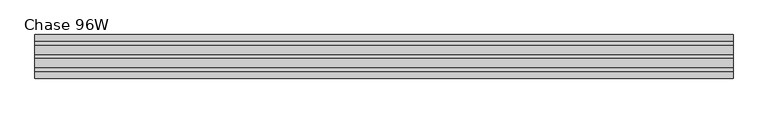
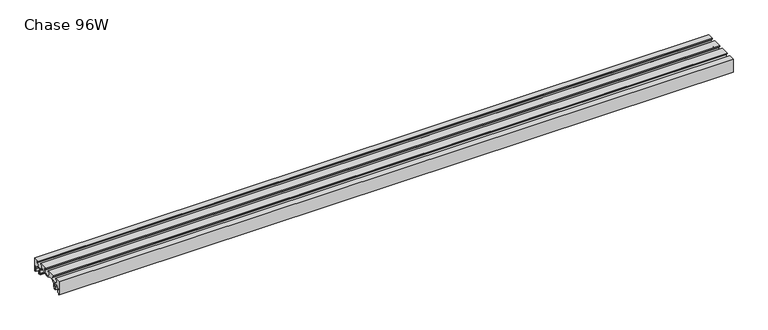
"""IFC4 building model written with IfcOpenShell, lengths in millimetres: furniture geometry, Chase 96W."""

from ifc_helpers import new_model, si_unit, point, frame, frame_2d, origin, place, context, project, spatial, polyline, circle_curve, trimmed, segment, composite_curve, outline, extrude, source, transform, mapped, element, save


def chase_96w_9124076c(model_context):
    return source(origin(), model_context, "Body", "SweptSolid", [
        extrude(outline(composite_curve([segment(polyline([(76.2, 625.0939671), (73.1519984, 625.0939671), (73.1519984, 636.0114693), (69.7230016, 636.0114693), (69.7230016, 629.7431746), (66.675, 629.7431746), (66.675, 639.0639719), (73.1519984, 639.0639719), (73.1519984, 646.9289715), (67.1194996, 646.9289715), (62.8014992, 651.5100145), (62.8014992, 654.2731932)]), True, "CONTINUOUS"), segment(trimmed(circle_curve(frame_2d((61.2689815, 654.2731932)), 1.5325176), [point((62.8014992, 654.2731932))], [point((60.443958, 655.5646832))], True, "CARTESIAN"), True, "CONTINUOUS"), segment(trimmed(circle_curve(frame_2d((45.7854705, 678.5110487)), 27.2287889), [point((60.443958, 655.5646832))], [point((47.15276, 651.3166106))], False, "CARTESIAN"), True, "CONTINUOUS"), segment(trimmed(circle_curve(frame_2d((47.2687964, 649.0087274)), 2.3107984), [point((47.15276, 651.3166106))], [point((44.957998, 649.0087274))], True, "CARTESIAN"), True, "CONTINUOUS"), segment(polyline([(44.957998, 649.0087274), (44.957998, 639.0639719), (51.4350009, 639.0639719), (51.4350009, 629.5389719), (43.5365777, 629.5389719), (43.5365777, 632.586969), (48.3869993, 632.586969), (48.3869993, 636.0159748), (41.9100009, 636.0159748), (41.9100009, 649.5453748)]), True, "CONTINUOUS"), segment(trimmed(circle_curve(frame_2d((39.0714407, 649.5453748)), 2.8385603), [point((41.9100009, 649.5453748))], [point((39.705064, 652.3123128))], True, "CARTESIAN"), True, "CONTINUOUS"), segment(trimmed(circle_curve(frame_2d((43.855594, 670.4370539)), 18.5939007), [point((39.705064, 652.3123128))], [point((29.8324836, 658.2269959))], False, "CARTESIAN"), True, "CONTINUOUS"), segment(trimmed(circle_curve(frame_2d((26.7329772, 655.5282257)), 4.1097811), [point((29.8324836, 658.2269959))], [point((26.7329772, 659.6380068))], True, "CARTESIAN"), True, "CONTINUOUS"), segment(polyline([(26.7329772, 659.6380068), (20.668497, 659.6380068)]), True, "CONTINUOUS"), segment(trimmed(circle_curve(frame_2d((20.668497, 653.2880068)), 6.35), [point((20.668497, 659.6380068))], [point((16.3430808, 657.9370147))], True, "CARTESIAN"), True, "CONTINUOUS"), segment(trimmed(circle_curve(frame_2d((0.0, 675.5027493)), 23.9927348), [point((16.3430808, 657.9370147))], [point((-16.3430808, 657.9370147))], False, "CARTESIAN"), True, "CONTINUOUS"), segment(trimmed(circle_curve(frame_2d((-20.668497, 653.2880068)), 6.35), [point((-16.3430808, 657.9370147))], [point((-20.668497, 659.6380068))], True, "CARTESIAN"), True, "CONTINUOUS"), segment(polyline([(-20.668497, 659.6380068), (-26.7329772, 659.6380068)]), True, "CONTINUOUS"), segment(trimmed(circle_curve(frame_2d((-26.7329772, 655.5282257)), 4.1097811), [point((-26.7329772, 659.6380068))], [point((-29.8324836, 658.2269959))], True, "CARTESIAN"), True, "CONTINUOUS"), segment(trimmed(circle_curve(frame_2d((-43.855594, 670.4370539)), 18.5939007), [point((-29.8324836, 658.2269959))], [point((-39.705064, 652.3123128))], False, "CARTESIAN"), True, "CONTINUOUS"), segment(trimmed(circle_curve(frame_2d((-39.0714407, 649.5453748)), 2.8385603), [point((-39.705064, 652.3123128))], [point((-41.9100009, 649.5453748))], True, "CARTESIAN"), True, "CONTINUOUS"), segment(polyline([(-41.9100009, 649.5453748), (-41.9100009, 636.0159748), (-48.3869993, 636.0159748), (-48.3869993, 632.586969), (-43.5365777, 632.586969), (-43.5365777, 629.5389719), (-51.4350009, 629.5389719), (-51.4350009, 639.0639719), (-44.957998, 639.0639719), (-44.957998, 649.0087274)]), True, "CONTINUOUS"), segment(trimmed(circle_curve(frame_2d((-47.2687964, 649.0087274)), 2.3107984), [point((-44.957998, 649.0087274))], [point((-47.15276, 651.3166106))], True, "CARTESIAN"), True, "CONTINUOUS"), segment(trimmed(circle_curve(frame_2d((-45.7854705, 678.5110487)), 27.2287889), [point((-47.15276, 651.3166106))], [point((-60.443958, 655.5646832))], False, "CARTESIAN"), True, "CONTINUOUS"), segment(trimmed(circle_curve(frame_2d((-61.2689815, 654.2731932)), 1.5325176), [point((-60.443958, 655.5646832))], [point((-62.8014992, 654.2731932))], True, "CARTESIAN"), True, "CONTINUOUS"), segment(polyline([(-62.8014992, 654.2731932), (-62.8014992, 651.5100145), (-67.1194996, 646.9289715), (-73.1519984, 646.9289715), (-73.1519984, 639.0639719), (-66.675, 639.0639719), (-66.675, 629.7431746), (-69.7230016, 629.7431746), (-69.7230016, 636.0114693), (-73.1519984, 636.0114693), (-73.1519984, 625.0939671), (-76.2, 625.0939671), (-76.2, 675.8939913), (-54.1019984, 675.8939913), (-54.1019984, 672.8459942), (-60.5790013, 672.8459942), (-60.5790013, 664.9719835)]), True, "CONTINUOUS"), segment(trimmed(circle_curve(frame_2d((-46.4820011, 671.6224146)), 15.5869704), [point((-60.5790013, 664.9719835))], [point((-32.3850009, 664.9719835))], True, "CARTESIAN"), True, "CONTINUOUS"), segment(polyline([(-32.3850009, 664.9719835), (-32.3850009, 672.8459942), (-38.8619993, 672.8459942), (-38.8619993, 675.8939913), (-7.6200001, 675.8939913), (-7.6200001, 672.8459942), (-14.0970002, 672.8459942), (-14.0970002, 664.9719835)]), True, "CONTINUOUS"), segment(trimmed(circle_curve(frame_2d((0.0, 671.6224146)), 15.5869704), [point((-14.0970002, 664.9719835))], [point((14.0970002, 664.9719835))], True, "CARTESIAN"), True, "CONTINUOUS"), segment(polyline([(14.0970002, 664.9719835), (14.0970002, 672.8459942), (7.6200001, 672.8459942), (7.6200001, 675.8939913), (38.8619993, 675.8939913), (38.8619993, 672.8459942), (32.3850009, 672.8459942), (32.3850009, 664.9719835)]), True, "CONTINUOUS"), segment(trimmed(circle_curve(frame_2d((46.4820011, 671.6224146)), 15.5869704), [point((32.3850009, 664.9719835))], [point((60.5790013, 664.9719835))], True, "CARTESIAN"), True, "CONTINUOUS"), segment(polyline([(60.5790013, 664.9719835), (60.5790013, 672.8459942), (54.1019984, 672.8459942), (54.1019984, 675.8939913), (76.2, 675.8939913), (76.2, 625.0939671)]), True, "CONTINUOUS")], self_intersect=False)), frame((0.0, 0.0, 0.0), z_axis=(1.0, 0.0, 0.0), x_axis=(0.0, 1.0, 0.0)), (0.0, 0.0, 1.0), 2438.4),
    ])


if __name__ == "__main__":
    model = new_model("IFC4")
    model_context = context("Model", 3, world=origin())
    ifc_project = project(units=[si_unit("LENGTHUNIT", "METRE", prefix="MILLI")], contexts=[model_context])
    site = spatial("IfcSite", under=ifc_project)
    building = spatial("IfcBuilding", under=site)
    placement = place(None, origin())
    chase_96w_shape = chase_96w_9124076c(model_context)
    element("IfcFurniture", 1, ObjectType="Chase 96W", at=placement, inside=building, context=model_context, shape_type="MappedRepresentation", body=[
        mapped(chase_96w_shape, transform((0.0, 0.0, 0.0), x_axis=(1.0, 0.0, 0.0), y_axis=(0.0, 1.0, 0.0), z_axis=(0.0, 0.0, 1.0))),
    ])
    save(model, "model.ifc")
